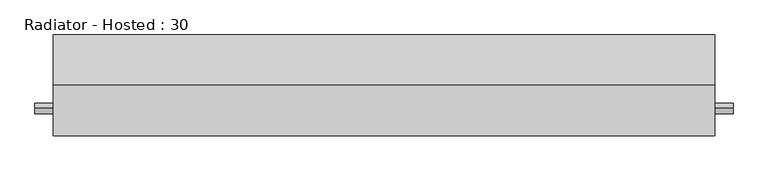
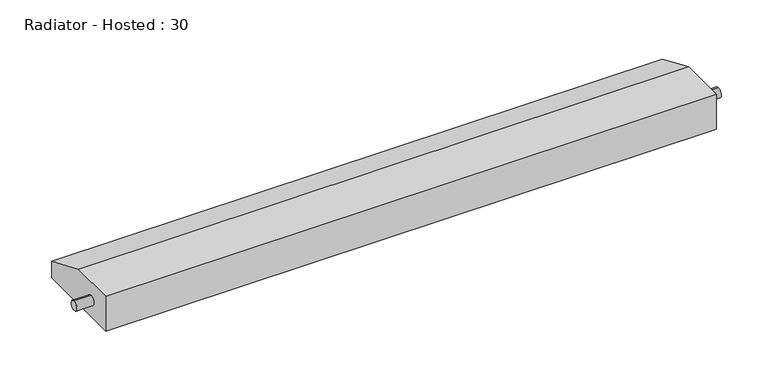
"""IFC4 building model written with IfcOpenShell, lengths in millimetres: proxy geometry, Radiator - Hosted : 30."""

from ifc_helpers import new_model, si_unit, frame, origin, place, context, project, spatial, circle_curve, source, transform, mapped, element, save
from ifc_brep_helpers import plane_surface, cylinder_surface, advanced_brep


def radiator_hosted_30_66c03ca7(model_context):
    return source(origin(), model_context, "Body", "AdvancedBrep", [
        advanced_brep(
        [(914.4, 279.4, 0.0), (914.4, 279.4, 52.3875), (914.4, 141.2875, 111.125), (914.4, 0.0, 111.125), (914.4, 0.0, 0.0), (914.4, 76.2, 37.3875), (914.4, 76.2, 67.3875), (-914.4, 279.4, 0.0), (-914.4, 0.0, 0.0), (-914.4, 0.0, 111.125), (-914.4, 141.2875, 111.125), (-914.4, 279.4, 52.3875), (-914.4, 76.2, 67.3875), (-914.4, 76.2, 37.3875), (-965.2, 76.2, 37.3875), (-965.2, 76.2, 67.3875), (965.2, 76.2, 37.3875), (965.2, 76.2, 67.3875)],
        [
            (0, 1),
            (1, 2),
            (2, 3),
            (3, 4),
            (4, 0),
            (5, 6, circle_curve(frame((914.4, 76.2, 52.3875), z_axis=(-1.0, 0.0, 0.0), x_axis=(0.0, 0.0, 1.0)), 15.0)),
            (6, 5, circle_curve(frame((914.4, 76.2, 52.3875), z_axis=(-1.0, 0.0, 0.0), x_axis=(0.0, 0.0, 1.0)), 15.0)),
            (7, 8),
            (8, 9),
            (9, 10),
            (10, 11),
            (11, 7),
            (12, 13, circle_curve(frame((-914.4, 76.2, 52.3875), z_axis=(1.0, 0.0, 0.0), x_axis=(0.0, 0.0, 1.0)), 15.0)),
            (13, 12, circle_curve(frame((-914.4, 76.2, 52.3875), z_axis=(1.0, 0.0, 0.0), x_axis=(0.0, 0.0, 1.0)), 15.0)),
            (0, 7),
            (11, 1),
            (10, 2),
            (9, 3),
            (8, 4),
            (14, 15, circle_curve(frame((-965.2, 76.2, 52.3875), z_axis=(-1.0, 0.0, 0.0), x_axis=(0.0, 0.0, 1.0)), 15.0)),
            (15, 14, circle_curve(frame((-965.2, 76.2, 52.3875), z_axis=(-1.0, 0.0, 0.0), x_axis=(0.0, 0.0, 1.0)), 15.0)),
            (16, 17, circle_curve(frame((965.2, 76.2, 52.3875), z_axis=(1.0, 0.0, 0.0), x_axis=(0.0, 0.0, 1.0)), 15.0)),
            (17, 16, circle_curve(frame((965.2, 76.2, 52.3875), z_axis=(1.0, 0.0, 0.0), x_axis=(0.0, 0.0, 1.0)), 15.0)),
            (14, 13),
            (12, 15),
            (17, 6),
            (5, 16),
        ],
        [
            plane_surface(frame((914.4, 279.4, 0.0), z_axis=(1.0, 0.0, 0.0), x_axis=(0.0, 0.0, 1.0))),
            plane_surface(frame((-914.4, 279.4, 0.0), z_axis=(-1.0, 0.0, 0.0), x_axis=(0.0, 0.0, -1.0))),
            plane_surface(frame((914.4, 279.4, 0.0), z_axis=(0.0, 1.0, 0.0), x_axis=(-1.0, 0.0, 0.0))),
            plane_surface(frame((914.4, 279.4, 52.3875), z_axis=(0.0, 0.3913646080488281, 0.9202357000066815), x_axis=(-1.0, 0.0, 0.0))),
            plane_surface(frame((914.4, 141.2875, 111.125), z_axis=(0.0, 0.0, 1.0), x_axis=(-1.0, 0.0, 0.0))),
            plane_surface(frame((914.4, 0.0, 111.125), z_axis=(0.0, -1.0, 0.0), x_axis=(-1.0, 0.0, 0.0))),
            plane_surface(frame((914.4, 0.0, 0.0), z_axis=(0.0, 0.0, -1.0), x_axis=(-1.0, 0.0, 0.0))),
            plane_surface(frame((-965.2, 76.2, 67.3875), z_axis=(-1.0, 0.0, 0.0), x_axis=(0.0, 1.0, 0.0))),
            plane_surface(frame((965.2, 76.2, 67.3875), z_axis=(1.0, 0.0, 0.0), x_axis=(0.0, -1.0, 0.0))),
            cylinder_surface(frame((965.2, 76.2, 52.3875), z_axis=(-1.0, 0.0, 0.0), x_axis=(0.0, 0.0, 1.0)), 15.0),
        ],
        [
            (0, [[1, 2, 3, 4, 5], [6, 7]]),
            (1, [[8, 9, 10, 11, 12], [13, 14]]),
            (2, [[-1, 15, -12, 16]]),
            (3, [[-2, -16, -11, 17]]),
            (4, [[-3, -17, -10, 18]]),
            (5, [[-4, -18, -9, 19]]),
            (6, [[-5, -19, -8, -15]]),
            (7, [[20, 21]]),
            (8, [[22, 23]]),
            (9, [[-20, 24, -13, 25]]),
            (9, [[-23, 26, -6, 27]]),
            (9, [[-21, -25, -14, -24]]),
            (9, [[-22, -27, -7, -26]]),
        ],
    ),
    ])


if __name__ == "__main__":
    model = new_model("IFC4")
    model_context = context("Model", 3, world=origin())
    ifc_project = project(units=[si_unit("LENGTHUNIT", "METRE", prefix="MILLI")], contexts=[model_context])
    site = spatial("IfcSite", under=ifc_project)
    building = spatial("IfcBuilding", under=site)
    placement = place(None, origin())
    radiator_hosted_30_shape = radiator_hosted_30_66c03ca7(model_context)
    element("IfcBuildingElementProxy", 1, Name="Radiator - Hosted : 30", ObjectType="Radiator - Hosted : 30", at=placement, inside=building, context=model_context, shape_type="MappedRepresentation", body=[
        mapped(radiator_hosted_30_shape, transform((0.0, 0.0, 0.0), x_axis=(1.0, 0.0, 0.0), y_axis=(0.0, 1.0, 0.0), z_axis=(0.0, 0.0, 1.0))),
    ])
    save(model, "model.ifc")
